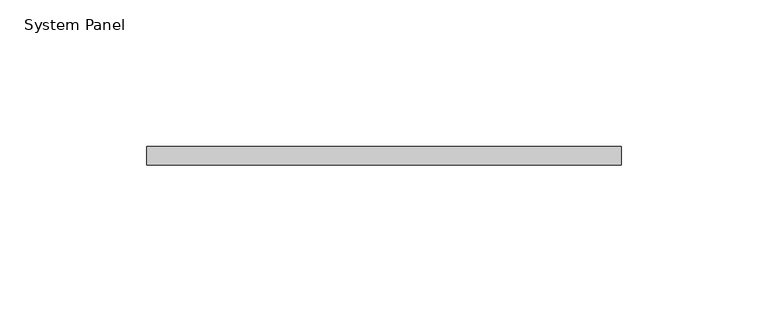
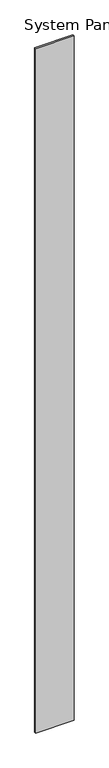
"""IFC4 building model written with IfcOpenShell, lengths in millimetres: plate geometry, System Panel."""

import ifcopenshell
import ifcopenshell.guid

model = None  # the IFC model being written
_history = None  # IfcOwnerHistory: only IFC2X3 demands one
_inside = {}  # id of a spatial element -> (the spatial element, [elements in it])
_under = {}  # id of a project, library or spatial element -> (it, [spatial elements below it])
_declared = {}  # id of a project -> (the project, [libraries it declares])
_typed = {}  # id of a type object -> (the type object, [elements of that type])
_made_of = {}  # id of a material, layer set ... -> (it, [elements and type objects made of it])


def new_model(schema):
    """Start an empty IFC model of exactly this schema.

    Asked for "IFC4X3", IfcOpenShell would pick the latest addendum, in which some entities
    have other attributes; the version numbers below select the first issue.
    IFC2X3 requires an IfcOwnerHistory on every rooted entity: one is made here for all.
    """
    global model, _history
    if schema == "IFC4X3":
        model = ifcopenshell.file(schema_version=(4, 3, 0, 0))
    else:
        model = ifcopenshell.file(schema=schema)
    _inside.clear()
    _under.clear()
    _declared.clear()
    _typed.clear()
    _made_of.clear()
    _history = None
    if model.schema == "IFC2X3":
        org = make("IfcOrganization", Name="unknown")
        user = make(
            "IfcPersonAndOrganization",
            ThePerson=make("IfcPerson", FamilyName="unknown"),
            TheOrganization=org,
        )
        app = make(
            "IfcApplication",
            ApplicationDeveloper=org,
            Version="unknown",
            ApplicationFullName="unknown",
            ApplicationIdentifier="unknown",
        )
        _history = make(
            "IfcOwnerHistory",
            OwningUser=user,
            OwningApplication=app,
            ChangeAction="ADDED",
            CreationDate=0,
        )
    return model


def make(cls, **values):
    """One entity of the class cls with the attributes given. An attribute that is None is left unset."""
    return model.create_entity(
        cls, **{name: value for name, value in values.items() if value is not None}
    )


def rooted(cls, **values):
    """An entity with a GlobalId (a new one), such as an element, a storey or a relation."""
    return make(cls, GlobalId=ifcopenshell.guid.new(), OwnerHistory=_history, **values)


def si_unit(unit_type, name, prefix=None):
    """IfcSIUnit, for example si_unit("LENGTHUNIT", "METRE", prefix="MILLI")."""
    return make("IfcSIUnit", UnitType=unit_type, Prefix=prefix, Name=name)


def assignment(units):
    """IfcUnitAssignment: the units of a project."""
    return None if units is None else make("IfcUnitAssignment", Units=units)


def point(xyz):
    """IfcCartesianPoint."""
    return None if xyz is None else make("IfcCartesianPoint", Coordinates=xyz)


def direction(xyz):
    """IfcDirection."""
    return None if xyz is None else make("IfcDirection", DirectionRatios=xyz)


def frame(location, z_axis=None, x_axis=None):
    """IfcAxis2Placement3D, a coordinate frame: its origin and axes. An axis left out is left unset."""
    return make(
        "IfcAxis2Placement3D",
        Location=point(location),
        Axis=direction(z_axis),
        RefDirection=direction(x_axis),
    )


def origin():
    """The frame at (0, 0, 0) with its axes left unset."""
    return frame((0.0, 0.0, 0.0))


def origin_with_axes():
    """The frame at (0, 0, 0) with the z axis (0, 0, 1) and the x axis (1, 0, 0) written out."""
    return frame((0.0, 0.0, 0.0), z_axis=(0.0, 0.0, 1.0), x_axis=(1.0, 0.0, 0.0))


def place(relative_to, where):
    """IfcLocalPlacement: puts the frame where relative to a parent placement (None: the world)."""
    return make(
        "IfcLocalPlacement", PlacementRelTo=relative_to, RelativePlacement=where
    )


def context(
    kind, dimensions, precision=None, world=None, true_north=None, identifier=None
):
    """IfcGeometricRepresentationContext, for example the 3D "Model" context."""
    return make(
        "IfcGeometricRepresentationContext",
        ContextIdentifier=identifier,
        ContextType=kind,
        CoordinateSpaceDimension=dimensions,
        Precision=precision,
        WorldCoordinateSystem=world,
        TrueNorth=true_north,
    )


def project(units=None, contexts=None):
    """IfcProject with its units and contexts."""
    return rooted(
        "IfcProject",
        Name="project",
        RepresentationContexts=contexts,
        UnitsInContext=assignment(units),
    )


def spatial(cls, under=None, at=None, **own):
    """A site, building, storey or space (cls), placed at a placement, below another one or the project."""
    s = rooted(cls, ObjectPlacement=at, **own)
    if under is not None:
        _under.setdefault(under.id(), (under, []))[1].append(s)
    return s


def polyline(points):
    """IfcPolyline through the points."""
    return make("IfcPolyline", Points=[point(p) for p in points])


def outline(outer, holes=None, kind="AREA"):
    """IfcArbitraryClosedProfileDef: a profile drawn as a closed curve; with holes, ...WithVoids."""
    if holes is None:
        return make("IfcArbitraryClosedProfileDef", ProfileType=kind, OuterCurve=outer)
    return make(
        "IfcArbitraryProfileDefWithVoids",
        ProfileType=kind,
        OuterCurve=outer,
        InnerCurves=holes,
    )


def extrude(swept, where, along, depth):
    """IfcExtrudedAreaSolid: the profile swept, set in the frame where, extruded along a direction by depth."""
    return make(
        "IfcExtrudedAreaSolid",
        SweptArea=swept,
        Position=where,
        ExtrudedDirection=direction(along),
        Depth=depth,
    )


def shape(context_of_items, identifier, shape_type, items):
    """IfcShapeRepresentation: the items that make up one representation, for example the "Body"."""
    return make(
        "IfcShapeRepresentation",
        ContextOfItems=context_of_items,
        RepresentationIdentifier=identifier,
        RepresentationType=shape_type,
        Items=items,
    )


def source(mapping_origin, context_of_items, identifier, shape_type, items):
    """IfcRepresentationMap: a shape defined once, which mapped items show again and again."""
    return make(
        "IfcRepresentationMap",
        MappingOrigin=mapping_origin,
        MappedRepresentation=shape(context_of_items, identifier, shape_type, items),
    )


def transform(
    local_origin,
    x_axis=None,
    y_axis=None,
    z_axis=None,
    scale=None,
    scale2=None,
    scale3=None,
    uniform=True,
):
    """IfcCartesianTransformationOperator3D, or its non-uniform kind. x_axis, y_axis, z_axis: its Axis1, 2, 3."""
    if uniform:
        return make(
            "IfcCartesianTransformationOperator3D",
            Axis1=direction(x_axis),
            Axis2=direction(y_axis),
            LocalOrigin=point(local_origin),
            Scale=scale,
            Axis3=direction(z_axis),
        )
    return make(
        "IfcCartesianTransformationOperator3DnonUniform",
        Axis1=direction(x_axis),
        Axis2=direction(y_axis),
        LocalOrigin=point(local_origin),
        Scale=scale,
        Axis3=direction(z_axis),
        Scale2=scale2,
        Scale3=scale3,
    )


def mapped(mapping_source, mapping_target):
    """IfcMappedItem: shows the shape of a source again, moved by a transform."""
    return make(
        "IfcMappedItem", MappingSource=mapping_source, MappingTarget=mapping_target
    )


def made_of(thing, what):
    """Note that an element or type object is made of a material, layer set ...; save() writes the relation."""
    if what is not None:
        _made_of.setdefault(what.id(), (what, []))[1].append(thing)
    return thing


def element(
    cls,
    number,
    at=None,
    inside=None,
    cuts=None,
    type_object=None,
    material=None,
    context=None,
    identifier="Body",
    shape_type=None,
    held_by="IfcProductDefinitionShape",
    body=None,
    shapes=None,
    **own,
):
    """One element of the class cls, such as IfcWall. Its Tag is "e" and its number.

    at: its placement. inside: the storey or other place that contains it. cuts: it is an
    opening in that element (IfcRelVoidsElement). A single representation is given by context,
    identifier, shape_type and body (its items); several are given by shapes. held_by: the class
    of the entity that holds the representations. save() writes the other relations.
    """
    e = rooted(cls, Tag="e%d" % number, ObjectPlacement=at, **own)
    if body is not None:
        shapes = [shape(context, identifier, shape_type, body)]
    if shapes is not None:
        e.Representation = make(held_by, Representations=shapes)
    if inside is not None:
        _inside.setdefault(inside.id(), (inside, []))[1].append(e)
    if cuts is not None:
        rooted(
            "IfcRelVoidsElement", RelatingBuildingElement=cuts, RelatedOpeningElement=e
        )
    if type_object is not None:
        _typed.setdefault(type_object.id(), (type_object, []))[1].append(e)
    return made_of(e, material)


def aggregate(whole, parts):
    """IfcRelAggregates: a whole, such as a stair, and the parts it consists of."""
    return rooted("IfcRelAggregates", RelatingObject=whole, RelatedObjects=parts)


def save(model, path):
    """Write the relations noted so far, then the file.

    IfcRelAggregates (storeys below a building ...), IfcRelContainedInSpatialStructure (elements
    in a storey), IfcRelDefinesByType, IfcRelAssociatesMaterial and IfcRelDeclares: one each for
    every whole, place, type object, material and project.
    """
    for whole, parts in _under.values():
        aggregate(whole, parts)
    for where, things in _inside.values():
        rooted(
            "IfcRelContainedInSpatialStructure",
            RelatedElements=things,
            RelatingStructure=where,
        )
    for kind, things in _typed.values():
        rooted("IfcRelDefinesByType", RelatedObjects=things, RelatingType=kind)
    for what, things in _made_of.values():
        rooted("IfcRelAssociatesMaterial", RelatedObjects=things, RelatingMaterial=what)
    for by, libraries in _declared.values():
        rooted("IfcRelDeclares", RelatingContext=by, RelatedDefinitions=libraries)
    model.write(path)


def system_panel_62f6f069(model_context):
    return source(origin(), model_context, "Body", "SweptSolid", [
        extrude(outline(polyline([(80.9870713, 0.0), (-80.9870713, 0.0), (-80.9870713, 6.35), (80.9870713, 6.35), (80.9870713, 0.0)])), origin_with_axes(), (0.0, 0.0, 1.0), 3048.0),
    ])


if __name__ == "__main__":
    model = new_model("IFC4")
    model_context = context("Model", 3, world=origin())
    ifc_project = project(units=[si_unit("LENGTHUNIT", "METRE", prefix="MILLI")], contexts=[model_context])
    site = spatial("IfcSite", under=ifc_project)
    building = spatial("IfcBuilding", under=site)
    placement = place(None, origin())
    system_panel_shape = system_panel_62f6f069(model_context)
    element("IfcPlate", 1, ObjectType="System Panel", at=placement, inside=building, context=model_context, shape_type="MappedRepresentation", body=[
        mapped(system_panel_shape, transform((0.0, 0.0, 0.0), x_axis=(1.0, 0.0, 0.0), y_axis=(0.0, 1.0, 0.0), z_axis=(0.0, 0.0, 1.0))),
    ])
    save(model, "model.ifc")
